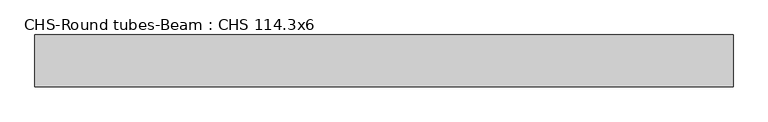
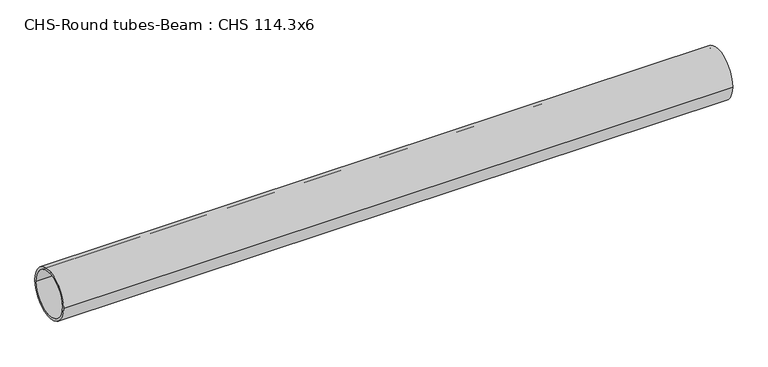
"""IFC4 building model written with IfcOpenShell, lengths in millimetres: beam geometry, CHS-Round tubes-Beam : CHS 114.3x6."""

from ifc_helpers import new_model, si_unit, point, frame, origin, origin_2d, place, context, project, spatial, circle_curve, trimmed, segment, composite_curve, outline, extrude, source, transform, mapped, element, save


def chs_round_tubes_beam_chs_114_3x6_03eeccd9(model_context):
    return source(origin(), model_context, "Body", "SweptSolid", [
        extrude(outline(composite_curve([segment(trimmed(circle_curve(origin_2d(), 57.15), [point((57.15, 0.0))], [point((-57.15, 0.0))], False, "CARTESIAN"), True, "CONTINUOUS"), segment(trimmed(circle_curve(origin_2d(), 57.15), [point((-57.15, 0.0))], [point((57.15, 0.0))], False, "CARTESIAN"), True, "CONTINUOUS")], self_intersect=False), holes=[composite_curve([segment(trimmed(circle_curve(origin_2d(), 51.15), [point((51.15, 0.0))], [point((-51.15, 0.0))], True, "CARTESIAN"), True, "CONTINUOUS"), segment(trimmed(circle_curve(origin_2d(), 51.15), [point((-51.15, 0.0))], [point((51.15, 0.0))], True, "CARTESIAN"), True, "CONTINUOUS")], self_intersect=False)]), frame((-747.2123224, 0.0, 0.0), z_axis=(1.0, 0.0, 0.0), x_axis=(0.0, 1.0, 0.0)), (0.0, 0.0, 1.0), 1536.3489507),
    ])


if __name__ == "__main__":
    model = new_model("IFC4")
    model_context = context("Model", 3, world=origin())
    ifc_project = project(units=[si_unit("LENGTHUNIT", "METRE", prefix="MILLI")], contexts=[model_context])
    site = spatial("IfcSite", under=ifc_project)
    building = spatial("IfcBuilding", under=site)
    placement = place(None, origin())
    chs_round_tubes_beam_chs_114_3x6_shape = chs_round_tubes_beam_chs_114_3x6_03eeccd9(model_context)
    element("IfcBeam", 1, ObjectType="CHS-Round tubes-Beam : CHS 114.3x6", at=placement, inside=building, context=model_context, shape_type="MappedRepresentation", body=[
        mapped(chs_round_tubes_beam_chs_114_3x6_shape, transform((0.0, 0.0, 0.0), x_axis=(1.0, 0.0, 0.0), y_axis=(0.0, 1.0, 0.0), z_axis=(0.0, 0.0, 1.0))),
    ])
    save(model, "model.ifc")
